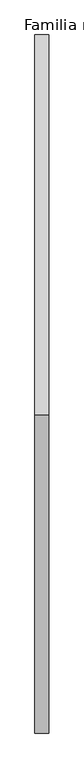
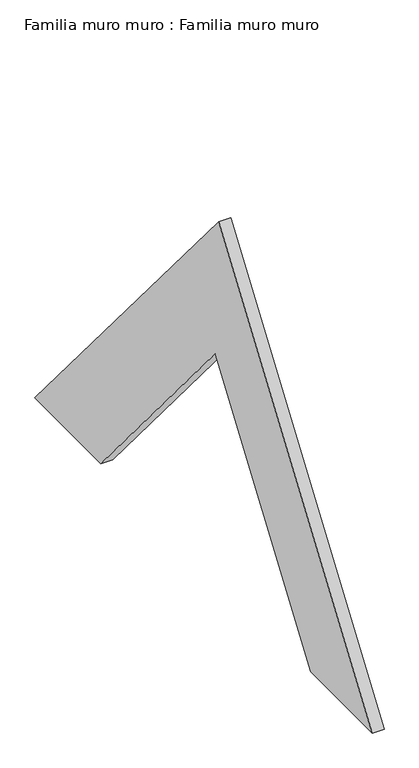
"""IFC4 building model written with IfcOpenShell, lengths in millimetres: plate geometry, Familia muro muro : Familia muro muro."""

from ifc_helpers import new_model, si_unit, frame, origin, place, context, project, spatial, polyline, outline, extrude, source, transform, mapped, element, save


def familia_muro_muro_familia_muro_muro_1f66e2ed(model_context):
    return source(origin(), model_context, "Body", "SweptSolid", [
        extrude(outline(polyline([(-545.1151322, 649.6429172), (0.0, 0.0), (-195.8110934, 0.0), (-534.3672304, 403.4754925), (-816.8838117, 0.0), (-1000.0, 0.0), (-545.1151322, 649.6429172)])), frame((0.0, 0.0, 0.0), z_axis=(1.0, 0.0, 0.0), x_axis=(0.0, 1.0, 0.0)), (0.0, 0.0, 1.0), 20.0),
    ])


if __name__ == "__main__":
    model = new_model("IFC4")
    model_context = context("Model", 3, world=origin())
    ifc_project = project(units=[si_unit("LENGTHUNIT", "METRE", prefix="MILLI")], contexts=[model_context])
    site = spatial("IfcSite", under=ifc_project)
    building = spatial("IfcBuilding", under=site)
    placement = place(None, origin())
    familia_muro_muro_familia_muro_muro_shape = familia_muro_muro_familia_muro_muro_1f66e2ed(model_context)
    element("IfcPlate", 1, ObjectType="Familia muro muro : Familia muro muro", at=placement, inside=building, context=model_context, shape_type="MappedRepresentation", body=[
        mapped(familia_muro_muro_familia_muro_muro_shape, transform((0.0, 0.0, 0.0), x_axis=(1.0, 0.0, 0.0), y_axis=(0.0, 1.0, 0.0), z_axis=(0.0, 0.0, 1.0))),
    ])
    save(model, "model.ifc")
